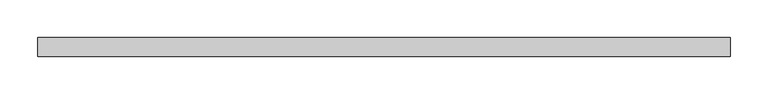
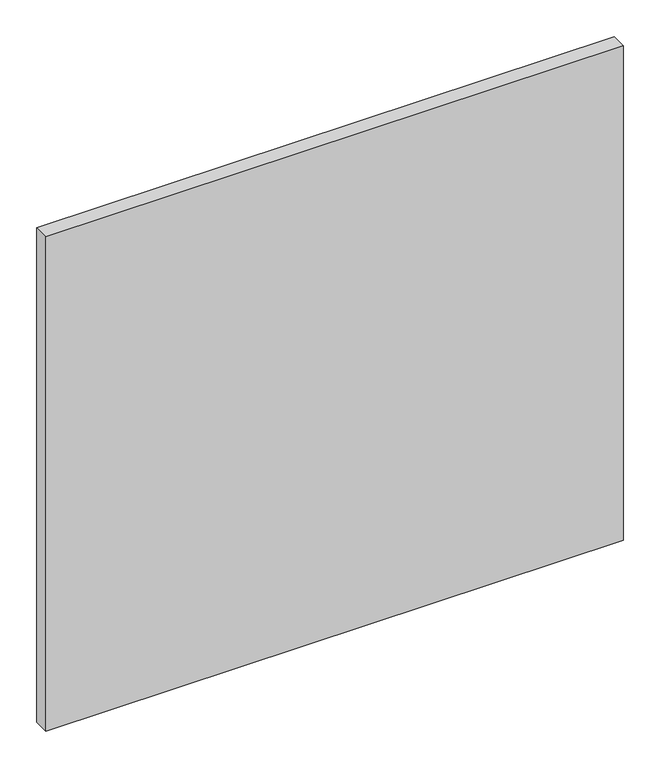
"""IFC4 building model written with IfcOpenShell, lengths in millimetres: plate geometry."""

from ifc_helpers import new_model, si_unit, origin, origin_with_axes, place, context, project, spatial, polyline, outline, extrude, source, transform, mapped, element, save


def plate_f8a84499(model_context):
    return source(origin(), model_context, "Body", "SweptSolid", [
        extrude(outline(polyline([(455.7834526, 24.5), (-455.7834526, 24.5), (-455.7834526, 49.5), (455.7834526, 49.5), (455.7834526, 24.5)])), origin_with_axes(), (0.0, 0.0, 1.0), 825.0),
    ])


if __name__ == "__main__":
    model = new_model("IFC4")
    model_context = context("Model", 3, world=origin())
    ifc_project = project(units=[si_unit("LENGTHUNIT", "METRE", prefix="MILLI")], contexts=[model_context])
    site = spatial("IfcSite", under=ifc_project)
    building = spatial("IfcBuilding", under=site)
    placement = place(None, origin())
    plate_shape = plate_f8a84499(model_context)
    element("IfcPlate", 1, at=placement, inside=building, context=model_context, shape_type="MappedRepresentation", body=[
        mapped(plate_shape, transform((0.0, 0.0, 0.0), x_axis=(1.0, 0.0, 0.0), y_axis=(0.0, 1.0, 0.0), z_axis=(0.0, 0.0, 1.0))),
    ])
    save(model, "model.ifc")
